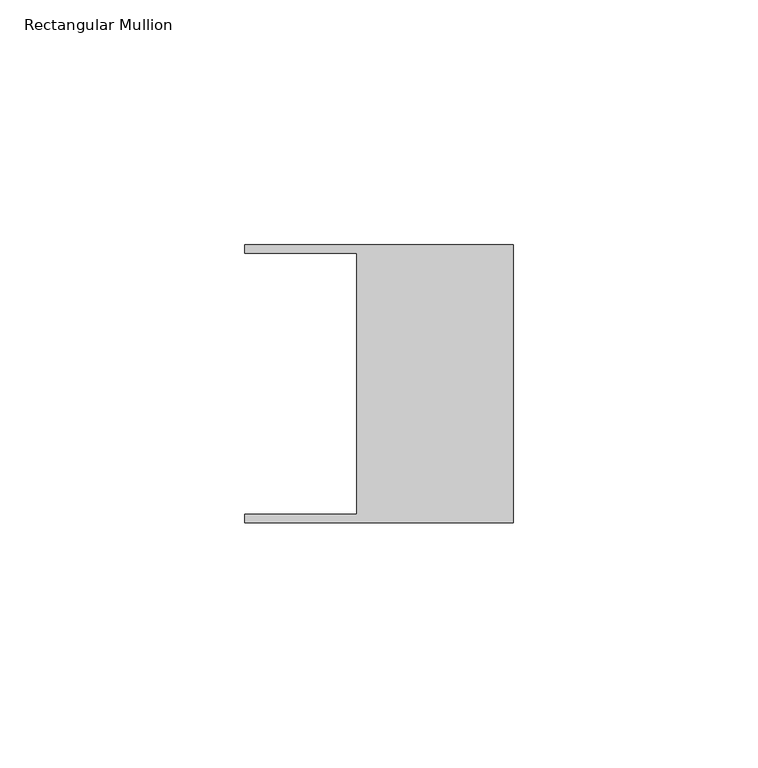
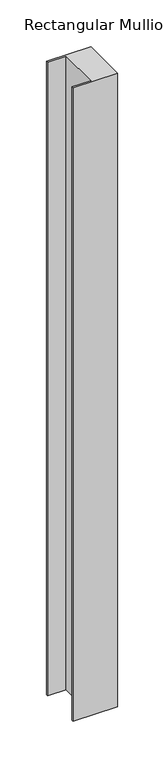
"""IFC4 building model written with IfcOpenShell, lengths in millimetres: member geometry, Rectangular Mullion."""

from ifc_helpers import new_model, si_unit, frame, origin, place, context, project, spatial, polyline, outline, extrude, source, transform, mapped, element, save


def rectangular_mullion_9e4c3fff(model_context):
    return source(origin(), model_context, "Body", "SweptSolid", [
        extrude(outline(polyline([(-32.004, 26.67), (-54.991, 26.67), (-54.991, 28.448), (0.0, 28.448), (0.0, -28.448), (-54.991, -28.448), (-54.991, -26.67), (-32.004, -26.67), (-32.004, 26.67)])), frame((0.0, 0.0, -828.1414866), z_axis=(0.0, 0.0, 1.0), x_axis=(1.0, 0.0, 0.0)), (0.0, 0.0, 1.0), 828.1414866),
    ])


if __name__ == "__main__":
    model = new_model("IFC4")
    model_context = context("Model", 3, world=origin())
    ifc_project = project(units=[si_unit("LENGTHUNIT", "METRE", prefix="MILLI")], contexts=[model_context])
    site = spatial("IfcSite", under=ifc_project)
    building = spatial("IfcBuilding", under=site)
    placement = place(None, origin())
    rectangular_mullion_shape = rectangular_mullion_9e4c3fff(model_context)
    element("IfcMember", 1, ObjectType="Rectangular Mullion", at=placement, inside=building, context=model_context, shape_type="MappedRepresentation", body=[
        mapped(rectangular_mullion_shape, transform((0.0, 0.0, 0.0), x_axis=(1.0, 0.0, 0.0), y_axis=(0.0, 1.0, 0.0), z_axis=(0.0, 0.0, 1.0))),
    ])
    save(model, "model.ifc")
